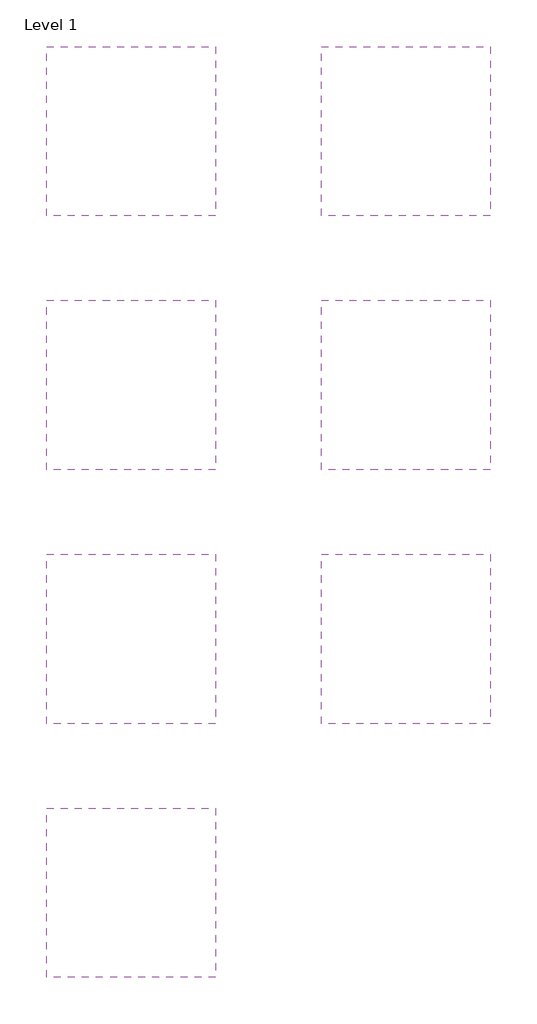
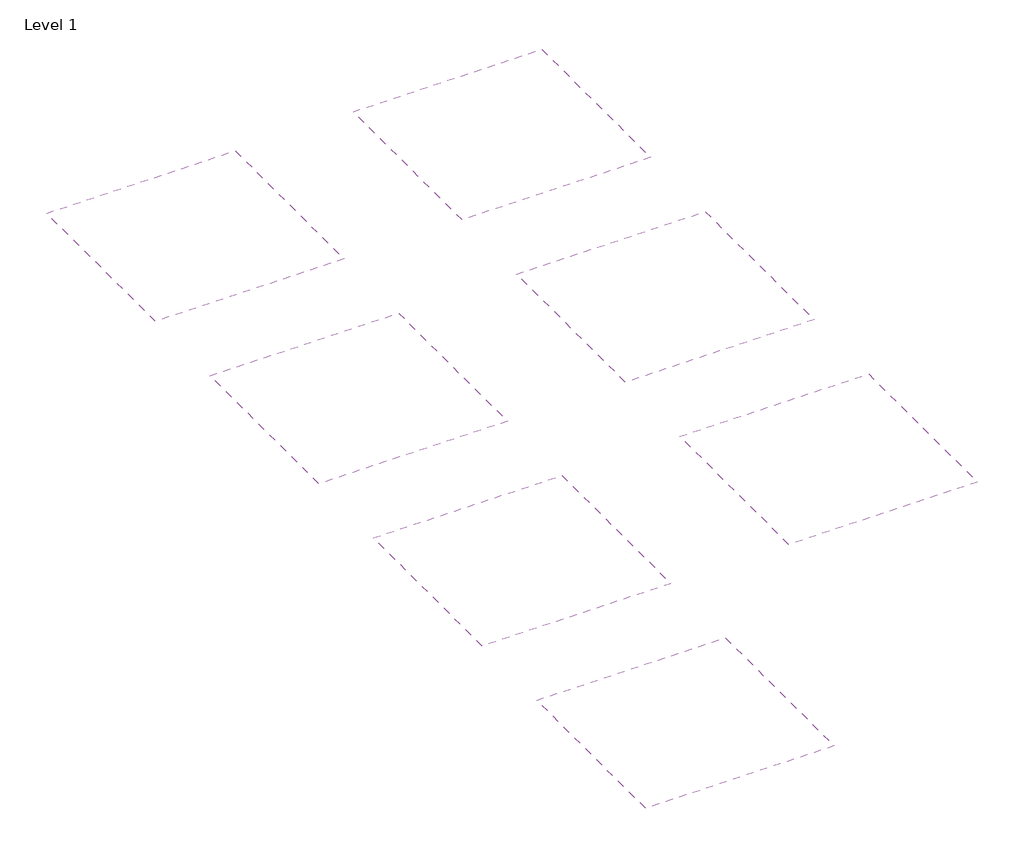
# One storey: 7 coverings.
"""IFC4 building model written with IfcOpenShell, lengths in millimetres."""

from ifc_helpers import new_model, si_unit, frame, origin, place, context, project, spatial, polyline, outline, extrude, element, save

model = new_model("IFC4")

# Units and contexts
model_context = context("Model", 3, world=origin())
ifc_project = project(units=[si_unit("LENGTHUNIT", "METRE", prefix="MILLI")], contexts=[model_context])

# Site, building, storey
site = spatial("IfcSite", under=ifc_project)
building = spatial("IfcBuilding", under=site)
storey = spatial("IfcBuildingStorey", under=building, Name="Level 1", Elevation=0.0)

# Coverings
placement = place(None, origin())
element("IfcCovering", 1, at=placement, inside=storey, context=model_context, shape_type="SweptSolid", body=[
    extrude(outline(polyline([(66505.7574544, 5345.2826848), (66505.7574544, 2297.2826848), (63457.7574544, 2297.2826848), (63457.7574544, 5345.2826848), (66505.7574544, 5345.2826848)])), frame((0.0, 0.0, 2438.4), z_axis=(0.0, 0.0, 1.0), x_axis=(1.0, 0.0, 0.0)), (0.0, 0.0, 1.0), 45.9382813),
])
element("IfcCovering", 2, at=placement, inside=storey, context=model_context, shape_type="SweptSolid", body=[
    extrude(outline(polyline([(66505.7574544, 773.2826848), (66505.7574544, -2274.7173152), (63457.7574544, -2274.7173152), (63457.7574544, 773.2826848), (66505.7574544, 773.2826848)])), frame((0.0, 0.0, 2438.4), z_axis=(0.0, 0.0, 1.0), x_axis=(1.0, 0.0, 0.0)), (0.0, 0.0, 1.0), 45.9382813),
])
element("IfcCovering", 3, at=placement, inside=storey, context=model_context, shape_type="SweptSolid", body=[
    extrude(outline(polyline([(66505.7574544, -3798.7173152), (66505.7574544, -6846.7173152), (63457.7574544, -6846.7173152), (63457.7574544, -3798.7173152), (66505.7574544, -3798.7173152)])), frame((0.0, 0.0, 2438.4), z_axis=(0.0, 0.0, 1.0), x_axis=(1.0, 0.0, 0.0)), (0.0, 0.0, 1.0), 45.9382813),
])
element("IfcCovering", 4, at=placement, inside=storey, context=model_context, shape_type="SweptSolid", body=[
    extrude(outline(polyline([(66505.7574544, -8370.7173152), (66505.7574544, -11418.7173152), (63457.7574544, -11418.7173152), (63457.7574544, -8370.7173152), (66505.7574544, -8370.7173152)])), frame((0.0, 0.0, 2438.4), z_axis=(0.0, 0.0, 1.0), x_axis=(1.0, 0.0, 0.0)), (0.0, 0.0, 1.0), 45.9382813),
])
element("IfcCovering", 5, at=placement, inside=storey, context=model_context, shape_type="SweptSolid", body=[
    extrude(outline(polyline([(71458.7574544, 5345.2826848), (71458.7574544, 2297.2826848), (68410.7574544, 2297.2826848), (68410.7574544, 5345.2826848), (71458.7574544, 5345.2826848)])), frame((0.0, 0.0, 2438.4), z_axis=(0.0, 0.0, 1.0), x_axis=(1.0, 0.0, 0.0)), (0.0, 0.0, 1.0), 45.9382813),
])
element("IfcCovering", 6, at=placement, inside=storey, context=model_context, shape_type="SweptSolid", body=[
    extrude(outline(polyline([(71458.7574544, 773.2826848), (71458.7574544, -2274.7173152), (68410.7574544, -2274.7173152), (68410.7574544, 773.2826848), (71458.7574544, 773.2826848)])), frame((0.0, 0.0, 2438.4), z_axis=(0.0, 0.0, 1.0), x_axis=(1.0, 0.0, 0.0)), (0.0, 0.0, 1.0), 41.671875),
])
element("IfcCovering", 7, at=placement, inside=storey, context=model_context, shape_type="SweptSolid", body=[
    extrude(outline(polyline([(71458.7574544, -3798.7173152), (71458.7574544, -6846.7173152), (68410.7574544, -6846.7173152), (68410.7574544, -3798.7173152), (71458.7574544, -3798.7173152)])), frame((0.0, 0.0, 2438.4), z_axis=(0.0, 0.0, 1.0), x_axis=(1.0, 0.0, 0.0)), (0.0, 0.0, 1.0), 41.671875),
])

save(model, "model.ifc")
